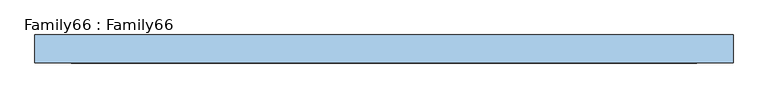
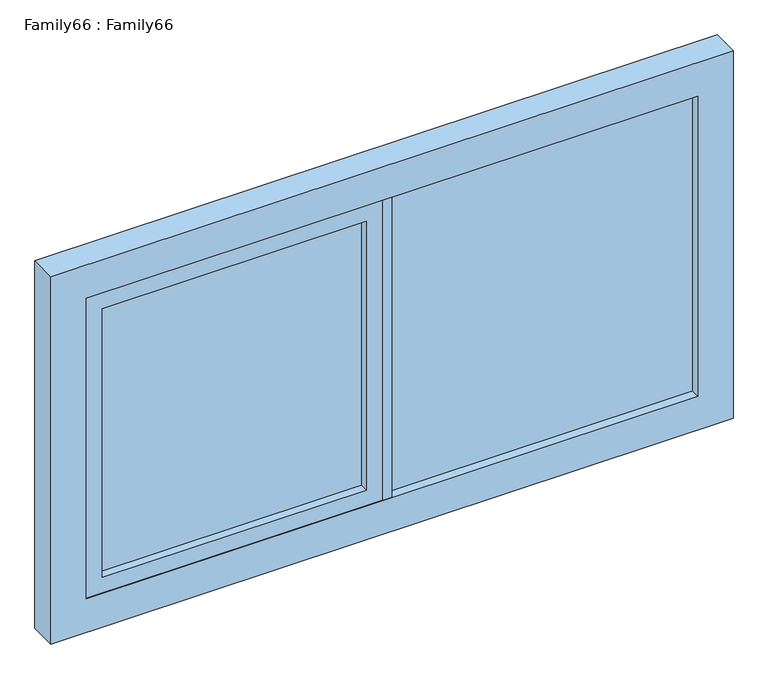
"""IFC4 building model written with IfcOpenShell, lengths in millimetres: window geometry, Family66 : Family66."""

from ifc_helpers import new_model, si_unit, frame, origin, place, context, project, spatial, polyline, outline, extrude, source, transform, mapped, element, save


def family66_family66_5dc5cdda(model_context):
    return source(origin(), model_context, "Body", "SweptSolid", [
        extrude(outline(polyline([(936.0, 14.0), (936.0, 10.0), (0.0, 10.0), (0.0, 14.0), (936.0, 14.0)])), frame((0.0, 0.0, 909.0), z_axis=(0.0, 0.0, 1.0), x_axis=(1.0, 0.0, 0.0)), (0.0, 0.0, 1.0), 972.0),
        extrude(outline(polyline([(0.0, -10.0), (936.0, -10.0), (936.0, -14.0), (0.0, -14.0), (0.0, -10.0)])), frame((0.0, 0.0, 909.0), z_axis=(0.0, 0.0, 1.0), x_axis=(1.0, 0.0, 0.0)), (0.0, 0.0, 1.0), 972.0),
        extrude(outline(polyline([(-77.4945996, 14.0), (-77.4945996, 10.0), (-886.0, 10.0), (-886.0, 14.0), (-77.4945996, 14.0)])), frame((0.0, 0.0, 959.0), z_axis=(0.0, 0.0, 1.0), x_axis=(1.0, 0.0, 0.0)), (0.0, 0.0, 1.0), 870.7093065),
        extrude(outline(polyline([(-77.4945996, -10.0), (-77.4945996, -14.0), (-886.0, -14.0), (-886.0, -10.0), (-77.4945996, -10.0)])), frame((0.0, 0.0, 959.0), z_axis=(0.0, 0.0, 1.0), x_axis=(1.0, 0.0, 0.0)), (0.0, 0.0, 1.0), 870.7093065),
        extrude(outline(polyline([(0.0, -42.0), (-27.4945996, -42.0), (-27.4945996, 42.0), (0.0, 42.0), (0.0, -42.0)])), frame((0.0, 0.0, 909.0), z_axis=(0.0, 0.0, 1.0), x_axis=(1.0, 0.0, 0.0)), (0.0, 0.0, 1.0), 972.0),
        extrude(outline(polyline([(1881.0, -27.4945996), (1881.0, -936.0), (909.0, -936.0), (909.0, -27.4945996), (1881.0, -27.4945996)]), holes=[polyline([(1829.7093065, -77.4945996), (959.0, -77.4945996), (959.0, -886.0), (1829.7093065, -886.0), (1829.7093065, -77.4945996)])]), frame((0.0, -40.0, 0.0), z_axis=(0.0, 1.0, 0.0), x_axis=(0.0, 0.0, 1.0)), (0.0, 0.0, 1.0), 80.0),
        extrude(outline(polyline([(1990.0, 1045.0), (1990.0, -1045.0), (800.0, -1045.0), (800.0, 1045.0), (1990.0, 1045.0)]), holes=[polyline([(909.0, 936.0), (909.0, -936.0), (1881.0, -936.0), (1881.0, 936.0), (909.0, 936.0)])]), frame((0.0, -42.0, 0.0), z_axis=(0.0, 1.0, 0.0), x_axis=(0.0, 0.0, 1.0)), (0.0, 0.0, 1.0), 84.0),
    ])


if __name__ == "__main__":
    model = new_model("IFC4")
    model_context = context("Model", 3, world=origin())
    ifc_project = project(units=[si_unit("LENGTHUNIT", "METRE", prefix="MILLI")], contexts=[model_context])
    site = spatial("IfcSite", under=ifc_project)
    building = spatial("IfcBuilding", under=site)
    placement = place(None, origin())
    family66_family66_shape = family66_family66_5dc5cdda(model_context)
    element("IfcWindow", 1, ObjectType="Family66 : Family66", at=placement, inside=building, context=model_context, shape_type="MappedRepresentation", body=[
        mapped(family66_family66_shape, transform((0.0, 0.0, 0.0), x_axis=(1.0, 0.0, 0.0), y_axis=(0.0, 1.0, 0.0), z_axis=(0.0, 0.0, 1.0))),
    ])
    save(model, "model.ifc")
